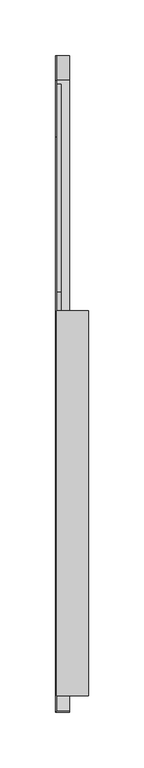
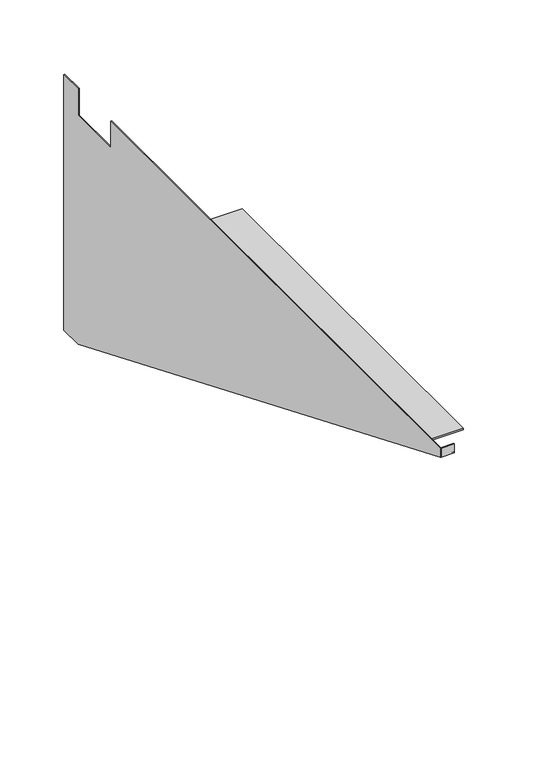
"""IFC4 building model written with IfcOpenShell, lengths in millimetres: furniture geometry."""

from ifc_helpers import new_model, si_unit, frame, origin, place, context, project, spatial, polyline, outline, extrude, source, transform, mapped, element, save


def furniture_1c2cffe1(model_context):
    return source(origin(), model_context, "Body", "SweptSolid", [
        extrude(outline(polyline([(-14.2240001, 152.124175), (-14.2240001, 139.9321685), (-231.6150049, 229.5156221), (-200.3729984, 229.5156221), (-14.2240001, 152.124175)])), frame((2.5146, 0.0, 0.0), z_axis=(1.0, 0.0, 0.0), x_axis=(0.0, 1.0, 0.0)), (0.0, 0.0, 1.0), 3.9116),
        extrude(outline(polyline([(-14.2240001, 114.024175), (-14.2240001, 101.8321685), (-322.6978174, 229.5156221), (-291.4558109, 229.5156221), (-14.2240001, 114.024175)])), frame((2.5146, 0.0, 0.0), z_axis=(1.0, 0.0, 0.0), x_axis=(0.0, 1.0, 0.0)), (0.0, 0.0, 1.0), 3.9116),
        extrude(outline(polyline([(-14.2240001, 75.924175), (-14.2240001, 63.7321685), (-412.6037395, 229.0233375), (-381.3617512, 229.0233375), (-14.2240001, 75.924175)])), frame((2.5146, 0.0, 0.0), z_axis=(1.0, 0.0, 0.0), x_axis=(0.0, 1.0, 0.0)), (0.0, 0.0, 1.0), 3.9116),
        extrude(outline(polyline([(-14.2240001, 37.824175), (-14.2240001, 25.6321685), (-504.8634424, 229.5156221), (-473.6214177, 229.5156221), (-14.2240001, 37.824175)])), frame((2.5146, 0.0, 0.0), z_axis=(1.0, 0.0, 0.0), x_axis=(0.0, 1.0, 0.0)), (0.0, 0.0, 1.0), 3.9116),
        extrude(outline(polyline([(-10.8969517, 0.9052719), (11.1759996, 0.9052719), (11.1759996, -0.0091281), (-11.0795277, -0.0091281), (-577.8500004, 235.7200487), (-577.8500004, 244.3134719), (-576.9356004, 244.3134719), (-576.9356004, 236.330071), (-10.8969517, 0.9052719)])), frame((2.5146, 0.0, 0.0), z_axis=(1.0, 0.0, 0.0), x_axis=(0.0, 1.0, 0.0)), (0.0, 0.0, 1.0), 11.7856),
        extrude(outline(polyline([(31.0388, -217.4239997), (31.0388, -562.8640004), (2.5146, -562.8640004), (2.5146, -217.4239997), (31.0388, -217.4239997)])), frame((0.0, 0.0, 242.7894719), z_axis=(0.0, 0.0, 1.0), x_axis=(1.0, 0.0, 0.0)), (0.0, 0.0, 1.0), 1.524),
        extrude(outline(polyline([(11.1759996, -0.0091281), (-11.0795277, -0.0091281), (-577.8500004, 235.7200487), (-577.8500004, 244.3134719), (-61.8489997, 244.3134719), (-61.8489997, 218.9134719), (-11.0489997, 218.9134719), (-11.0489997, 244.3134719), (11.1759996, 244.3134719), (11.1759996, -0.0091281)])), frame((1.6002, 0.0, 0.0), z_axis=(1.0, 0.0, 0.0), x_axis=(0.0, 1.0, 0.0)), (0.0, 0.0, 1.0), 0.9144),
    ])


if __name__ == "__main__":
    model = new_model("IFC4")
    model_context = context("Model", 3, world=origin())
    ifc_project = project(units=[si_unit("LENGTHUNIT", "METRE", prefix="MILLI")], contexts=[model_context])
    site = spatial("IfcSite", under=ifc_project)
    building = spatial("IfcBuilding", under=site)
    placement = place(None, origin())
    furniture_shape = furniture_1c2cffe1(model_context)
    element("IfcFurniture", 1, at=placement, inside=building, context=model_context, shape_type="MappedRepresentation", body=[
        mapped(furniture_shape, transform((0.0, 0.0, 0.0), x_axis=(1.0, 0.0, 0.0), y_axis=(0.0, 1.0, 0.0), z_axis=(0.0, 0.0, 1.0))),
    ])
    save(model, "model.ifc")
